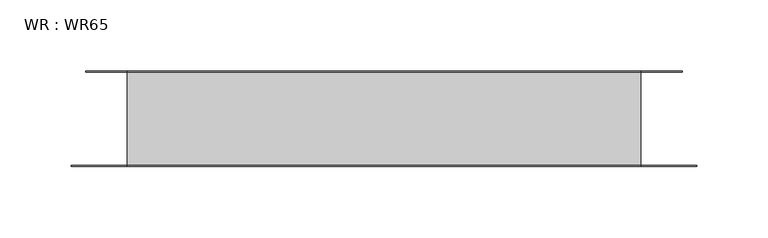
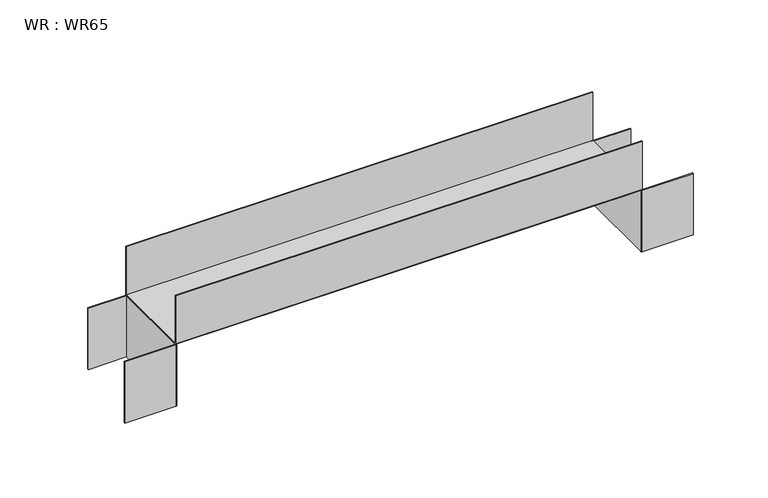
"""IFC4 building model written with IfcOpenShell, lengths in millimetres: proxy geometry, WR : WR65."""

from ifc_helpers import new_model, si_unit, point, frame, frame_2d, origin, place, context, project, spatial, polyline, circle_curve, trimmed, segment, composite_curve, outline, extrude, source, transform, mapped, element, save


def wr_wr65_5b5b93d1(model_context):
    return source(origin(), model_context, "Body", "SweptSolid", [
        extrude(outline(composite_curve([segment(polyline([(-39.4, -32.7), (0.0, -32.7), (0.0, 32.7), (-29.4, 32.7), (-29.4, 33.5), (0.0, 33.5)]), True, "CONTINUOUS"), segment(trimmed(circle_curve(frame_2d((0.0, 32.7)), 0.8), [point((0.0, 33.5))], [point((0.8, 32.7))], False, "CARTESIAN"), True, "CONTINUOUS"), segment(polyline([(0.8, 32.7), (0.8, -32.7)]), True, "CONTINUOUS"), segment(trimmed(circle_curve(frame_2d((0.0, -32.7)), 0.8), [point((0.8, -32.7))], [point((0.0, -33.5))], False, "CARTESIAN"), True, "CONTINUOUS"), segment(polyline([(0.0, -33.5), (-39.4, -33.5), (-39.4, -32.7)]), True, "CONTINUOUS")], self_intersect=False)), frame((0.0, 0.0, -50.0), z_axis=(0.0, 0.0, 1.0), x_axis=(1.0, 0.0, 0.0)), (0.0, 0.0, 1.0), 50.0),
        extrude(outline(composite_curve([segment(polyline([(399.4, -32.7), (399.4, -33.5), (360.0, -33.5)]), True, "CONTINUOUS"), segment(trimmed(circle_curve(frame_2d((360.0, -32.7)), 0.8), [point((360.0, -33.5))], [point((359.2, -32.7))], False, "CARTESIAN"), True, "CONTINUOUS"), segment(polyline([(359.2, -32.7), (359.2, 32.7)]), True, "CONTINUOUS"), segment(trimmed(circle_curve(frame_2d((360.0, 32.7)), 0.8), [point((359.2, 32.7))], [point((360.0, 33.5))], False, "CARTESIAN"), True, "CONTINUOUS"), segment(polyline([(360.0, 33.5), (389.4, 33.5), (389.4, 32.7), (360.0, 32.7), (360.0, -32.7), (399.4, -32.7)]), True, "CONTINUOUS")], self_intersect=False)), frame((0.0, 0.0, -50.0), z_axis=(0.0, 0.0, 1.0), x_axis=(1.0, 0.0, 0.0)), (0.0, 0.0, 1.0), 50.0),
        extrude(outline(composite_curve([segment(polyline([(-32.7, 40.0), (-32.7, 0.8), (32.7, 0.8), (32.7, 40.0), (33.5, 40.0), (33.5, 0.8)]), True, "CONTINUOUS"), segment(trimmed(circle_curve(frame_2d((32.7, 0.8)), 0.8), [point((33.5, 0.8))], [point((32.7, 0.0))], False, "CARTESIAN"), True, "CONTINUOUS"), segment(polyline([(32.7, 0.0), (-32.7, 0.0)]), True, "CONTINUOUS"), segment(trimmed(circle_curve(frame_2d((-32.7, 0.8)), 0.8), [point((-32.7, 0.0))], [point((-33.5, 0.8))], False, "CARTESIAN"), True, "CONTINUOUS"), segment(polyline([(-33.5, 0.8), (-33.5, 40.0), (-32.7, 40.0)]), True, "CONTINUOUS")], self_intersect=False)), frame((0.0, 0.0, 0.0), z_axis=(1.0, 0.0, 0.0), x_axis=(0.0, 1.0, 0.0)), (0.0, 0.0, 1.0), 360.0),
    ])


if __name__ == "__main__":
    model = new_model("IFC4")
    model_context = context("Model", 3, world=origin())
    ifc_project = project(units=[si_unit("LENGTHUNIT", "METRE", prefix="MILLI")], contexts=[model_context])
    site = spatial("IfcSite", under=ifc_project)
    building = spatial("IfcBuilding", under=site)
    placement = place(None, origin())
    wr_wr65_shape = wr_wr65_5b5b93d1(model_context)
    element("IfcBuildingElementProxy", 1, Name="WR : WR65", ObjectType="WR : WR65", at=placement, inside=building, context=model_context, shape_type="MappedRepresentation", body=[
        mapped(wr_wr65_shape, transform((0.0, 0.0, 0.0), x_axis=(1.0, 0.0, 0.0), y_axis=(0.0, 1.0, 0.0), z_axis=(0.0, 0.0, 1.0))),
    ])
    save(model, "model.ifc")
